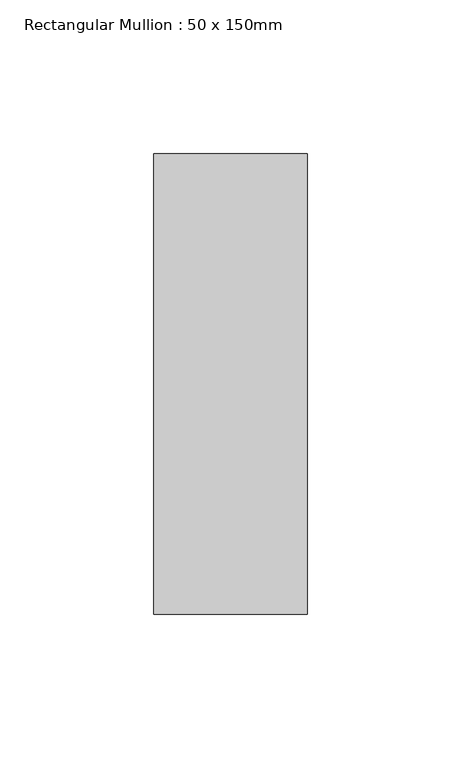
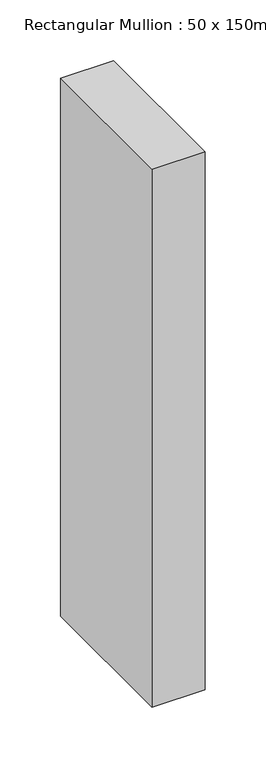
"""IFC4 building model written with IfcOpenShell, lengths in millimetres: member geometry, Rectangular Mullion : 50 x 150mm."""

from ifc_helpers import new_model, si_unit, frame, origin, place, context, project, spatial, polyline, outline, extrude, source, transform, mapped, element, save


def rectangular_mullion_50_x_150mm_086c9003(model_context):
    return source(origin(), model_context, "Body", "SweptSolid", [
        extrude(outline(polyline([(25.0, 75.0), (25.0, -75.0), (-25.0, -75.0), (-25.0, 75.0), (25.0, 75.0)])), frame((0.0, 0.0, -538.2057878), z_axis=(0.0, 0.0, 1.0), x_axis=(1.0, 0.0, 0.0)), (0.0, 0.0, 1.0), 538.2057878),
    ])


if __name__ == "__main__":
    model = new_model("IFC4")
    model_context = context("Model", 3, world=origin())
    ifc_project = project(units=[si_unit("LENGTHUNIT", "METRE", prefix="MILLI")], contexts=[model_context])
    site = spatial("IfcSite", under=ifc_project)
    building = spatial("IfcBuilding", under=site)
    placement = place(None, origin())
    rectangular_mullion_50_x_150mm_shape = rectangular_mullion_50_x_150mm_086c9003(model_context)
    element("IfcMember", 1, ObjectType="Rectangular Mullion : 50 x 150mm", at=placement, inside=building, context=model_context, shape_type="MappedRepresentation", body=[
        mapped(rectangular_mullion_50_x_150mm_shape, transform((0.0, 0.0, 0.0), x_axis=(1.0, 0.0, 0.0), y_axis=(0.0, 1.0, 0.0), z_axis=(0.0, 0.0, 1.0))),
    ])
    save(model, "model.ifc")
